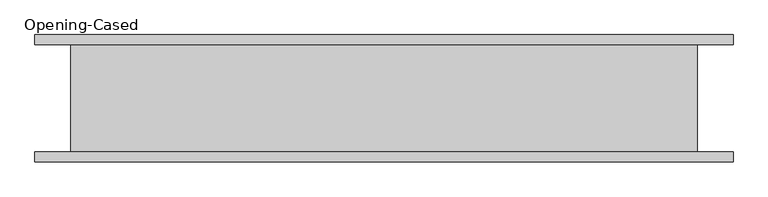
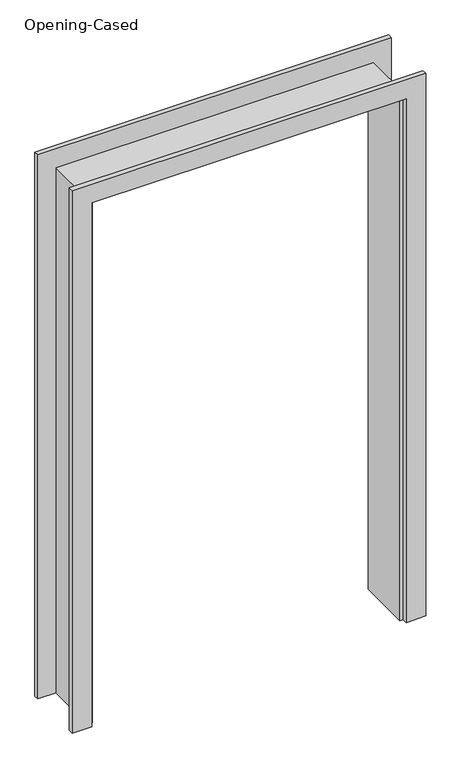
"""IFC4 building model written with IfcOpenShell, lengths in millimetres: proxy geometry, Opening-Cased."""

import ifcopenshell
import ifcopenshell.guid

model = None  # the IFC model being written
_history = None  # IfcOwnerHistory: only IFC2X3 demands one
_inside = {}  # id of a spatial element -> (the spatial element, [elements in it])
_under = {}  # id of a project, library or spatial element -> (it, [spatial elements below it])
_declared = {}  # id of a project -> (the project, [libraries it declares])
_typed = {}  # id of a type object -> (the type object, [elements of that type])
_made_of = {}  # id of a material, layer set ... -> (it, [elements and type objects made of it])


def new_model(schema):
    """Start an empty IFC model of exactly this schema.

    Asked for "IFC4X3", IfcOpenShell would pick the latest addendum, in which some entities
    have other attributes; the version numbers below select the first issue.
    IFC2X3 requires an IfcOwnerHistory on every rooted entity: one is made here for all.
    """
    global model, _history
    if schema == "IFC4X3":
        model = ifcopenshell.file(schema_version=(4, 3, 0, 0))
    else:
        model = ifcopenshell.file(schema=schema)
    _inside.clear()
    _under.clear()
    _declared.clear()
    _typed.clear()
    _made_of.clear()
    _history = None
    if model.schema == "IFC2X3":
        org = make("IfcOrganization", Name="unknown")
        user = make(
            "IfcPersonAndOrganization",
            ThePerson=make("IfcPerson", FamilyName="unknown"),
            TheOrganization=org,
        )
        app = make(
            "IfcApplication",
            ApplicationDeveloper=org,
            Version="unknown",
            ApplicationFullName="unknown",
            ApplicationIdentifier="unknown",
        )
        _history = make(
            "IfcOwnerHistory",
            OwningUser=user,
            OwningApplication=app,
            ChangeAction="ADDED",
            CreationDate=0,
        )
    return model


def make(cls, **values):
    """One entity of the class cls with the attributes given. An attribute that is None is left unset."""
    return model.create_entity(
        cls, **{name: value for name, value in values.items() if value is not None}
    )


def rooted(cls, **values):
    """An entity with a GlobalId (a new one), such as an element, a storey or a relation."""
    return make(cls, GlobalId=ifcopenshell.guid.new(), OwnerHistory=_history, **values)


def si_unit(unit_type, name, prefix=None):
    """IfcSIUnit, for example si_unit("LENGTHUNIT", "METRE", prefix="MILLI")."""
    return make("IfcSIUnit", UnitType=unit_type, Prefix=prefix, Name=name)


def assignment(units):
    """IfcUnitAssignment: the units of a project."""
    return None if units is None else make("IfcUnitAssignment", Units=units)


def point(xyz):
    """IfcCartesianPoint."""
    return None if xyz is None else make("IfcCartesianPoint", Coordinates=xyz)


def direction(xyz):
    """IfcDirection."""
    return None if xyz is None else make("IfcDirection", DirectionRatios=xyz)


def frame(location, z_axis=None, x_axis=None):
    """IfcAxis2Placement3D, a coordinate frame: its origin and axes. An axis left out is left unset."""
    return make(
        "IfcAxis2Placement3D",
        Location=point(location),
        Axis=direction(z_axis),
        RefDirection=direction(x_axis),
    )


def origin():
    """The frame at (0, 0, 0) with its axes left unset."""
    return frame((0.0, 0.0, 0.0))


def place(relative_to, where):
    """IfcLocalPlacement: puts the frame where relative to a parent placement (None: the world)."""
    return make(
        "IfcLocalPlacement", PlacementRelTo=relative_to, RelativePlacement=where
    )


def context(
    kind, dimensions, precision=None, world=None, true_north=None, identifier=None
):
    """IfcGeometricRepresentationContext, for example the 3D "Model" context."""
    return make(
        "IfcGeometricRepresentationContext",
        ContextIdentifier=identifier,
        ContextType=kind,
        CoordinateSpaceDimension=dimensions,
        Precision=precision,
        WorldCoordinateSystem=world,
        TrueNorth=true_north,
    )


def project(units=None, contexts=None):
    """IfcProject with its units and contexts."""
    return rooted(
        "IfcProject",
        Name="project",
        RepresentationContexts=contexts,
        UnitsInContext=assignment(units),
    )


def spatial(cls, under=None, at=None, **own):
    """A site, building, storey or space (cls), placed at a placement, below another one or the project."""
    s = rooted(cls, ObjectPlacement=at, **own)
    if under is not None:
        _under.setdefault(under.id(), (under, []))[1].append(s)
    return s


def polyline(points):
    """IfcPolyline through the points."""
    return make("IfcPolyline", Points=[point(p) for p in points])


def outline(outer, holes=None, kind="AREA"):
    """IfcArbitraryClosedProfileDef: a profile drawn as a closed curve; with holes, ...WithVoids."""
    if holes is None:
        return make("IfcArbitraryClosedProfileDef", ProfileType=kind, OuterCurve=outer)
    return make(
        "IfcArbitraryProfileDefWithVoids",
        ProfileType=kind,
        OuterCurve=outer,
        InnerCurves=holes,
    )


def extrude(swept, where, along, depth):
    """IfcExtrudedAreaSolid: the profile swept, set in the frame where, extruded along a direction by depth."""
    return make(
        "IfcExtrudedAreaSolid",
        SweptArea=swept,
        Position=where,
        ExtrudedDirection=direction(along),
        Depth=depth,
    )


def faces_of(points, faces, orient=None, outer=None):
    """IfcFace entities. A face is a list of loops; a loop is a list of indices into points, from 0.

    orient and outer hold one flag for each loop. By default every Orientation is true, the
    first loop of a face is its IfcFaceOuterBound and the others are IfcFaceBound.
    """
    made = []
    for i, loops in enumerate(faces):
        bounds = []
        for j, loop in enumerate(loops):
            is_outer = j == 0 if outer is None else outer[i][j]
            bounds.append(
                make(
                    "IfcFaceOuterBound" if is_outer else "IfcFaceBound",
                    Bound=make("IfcPolyLoop", Polygon=[points[k] for k in loop]),
                    Orientation=True if orient is None else orient[i][j],
                )
            )
        made.append(make("IfcFace", Bounds=bounds))
    return made


def faceted_brep(points, faces, orient=None, outer=None, voids=None):
    """IfcFacetedBrep: a solid bounded by flat faces; with voids (closed shells), ...WithVoids."""
    shared = [point(p) for p in points]
    hull = make("IfcClosedShell", CfsFaces=faces_of(shared, faces, orient, outer))
    if voids is None:
        return make("IfcFacetedBrep", Outer=hull)
    return make(
        "IfcFacetedBrepWithVoids",
        Outer=hull,
        Voids=[
            make(cls, CfsFaces=faces_of(shared, fs, o, b)) for cls, fs, o, b in voids
        ],
    )


def shape(context_of_items, identifier, shape_type, items):
    """IfcShapeRepresentation: the items that make up one representation, for example the "Body"."""
    return make(
        "IfcShapeRepresentation",
        ContextOfItems=context_of_items,
        RepresentationIdentifier=identifier,
        RepresentationType=shape_type,
        Items=items,
    )


def source(mapping_origin, context_of_items, identifier, shape_type, items):
    """IfcRepresentationMap: a shape defined once, which mapped items show again and again."""
    return make(
        "IfcRepresentationMap",
        MappingOrigin=mapping_origin,
        MappedRepresentation=shape(context_of_items, identifier, shape_type, items),
    )


def transform(
    local_origin,
    x_axis=None,
    y_axis=None,
    z_axis=None,
    scale=None,
    scale2=None,
    scale3=None,
    uniform=True,
):
    """IfcCartesianTransformationOperator3D, or its non-uniform kind. x_axis, y_axis, z_axis: its Axis1, 2, 3."""
    if uniform:
        return make(
            "IfcCartesianTransformationOperator3D",
            Axis1=direction(x_axis),
            Axis2=direction(y_axis),
            LocalOrigin=point(local_origin),
            Scale=scale,
            Axis3=direction(z_axis),
        )
    return make(
        "IfcCartesianTransformationOperator3DnonUniform",
        Axis1=direction(x_axis),
        Axis2=direction(y_axis),
        LocalOrigin=point(local_origin),
        Scale=scale,
        Axis3=direction(z_axis),
        Scale2=scale2,
        Scale3=scale3,
    )


def mapped(mapping_source, mapping_target):
    """IfcMappedItem: shows the shape of a source again, moved by a transform."""
    return make(
        "IfcMappedItem", MappingSource=mapping_source, MappingTarget=mapping_target
    )


def made_of(thing, what):
    """Note that an element or type object is made of a material, layer set ...; save() writes the relation."""
    if what is not None:
        _made_of.setdefault(what.id(), (what, []))[1].append(thing)
    return thing


def element(
    cls,
    number,
    at=None,
    inside=None,
    cuts=None,
    type_object=None,
    material=None,
    context=None,
    identifier="Body",
    shape_type=None,
    held_by="IfcProductDefinitionShape",
    body=None,
    shapes=None,
    **own,
):
    """One element of the class cls, such as IfcWall. Its Tag is "e" and its number.

    at: its placement. inside: the storey or other place that contains it. cuts: it is an
    opening in that element (IfcRelVoidsElement). A single representation is given by context,
    identifier, shape_type and body (its items); several are given by shapes. held_by: the class
    of the entity that holds the representations. save() writes the other relations.
    """
    e = rooted(cls, Tag="e%d" % number, ObjectPlacement=at, **own)
    if body is not None:
        shapes = [shape(context, identifier, shape_type, body)]
    if shapes is not None:
        e.Representation = make(held_by, Representations=shapes)
    if inside is not None:
        _inside.setdefault(inside.id(), (inside, []))[1].append(e)
    if cuts is not None:
        rooted(
            "IfcRelVoidsElement", RelatingBuildingElement=cuts, RelatedOpeningElement=e
        )
    if type_object is not None:
        _typed.setdefault(type_object.id(), (type_object, []))[1].append(e)
    return made_of(e, material)


def aggregate(whole, parts):
    """IfcRelAggregates: a whole, such as a stair, and the parts it consists of."""
    return rooted("IfcRelAggregates", RelatingObject=whole, RelatedObjects=parts)


def save(model, path):
    """Write the relations noted so far, then the file.

    IfcRelAggregates (storeys below a building ...), IfcRelContainedInSpatialStructure (elements
    in a storey), IfcRelDefinesByType, IfcRelAssociatesMaterial and IfcRelDeclares: one each for
    every whole, place, type object, material and project.
    """
    for whole, parts in _under.values():
        aggregate(whole, parts)
    for where, things in _inside.values():
        rooted(
            "IfcRelContainedInSpatialStructure",
            RelatedElements=things,
            RelatingStructure=where,
        )
    for kind, things in _typed.values():
        rooted("IfcRelDefinesByType", RelatedObjects=things, RelatingType=kind)
    for what, things in _made_of.values():
        rooted("IfcRelAssociatesMaterial", RelatedObjects=things, RelatingMaterial=what)
    for by, libraries in _declared.values():
        rooted("IfcRelDeclares", RelatingContext=by, RelatedDefinitions=libraries)
    model.write(path)


def opening_cased_034cfe47(model_context):
    return source(origin(), model_context, "Body", "SolidModel", [
        extrude(outline(polyline([(0.0, -611.4386567), (2127.25, -611.4386567), (2127.25, 595.0613433), (0.0, 595.0613433), (0.0, 671.2613433), (2203.45, 671.2613433), (2203.45, -687.6386567), (0.0, -687.6386567), (0.0, -611.4386567)])), frame((0.0, -123.825, 0.0), z_axis=(0.0, 1.0, 0.0), x_axis=(0.0, 0.0, 1.0)), (0.0, 0.0, 1.0), 19.05),
        extrude(outline(polyline([(0.0, 671.2613433), (2209.8, 671.2613433), (2209.8, -687.6386567), (0.0, -687.6386567), (0.0, -611.4386567), (2127.25, -611.4386567), (2127.25, 595.0613433), (0.0, 595.0613433), (0.0, 671.2613433)])), frame((0.0, 104.775, 0.0), z_axis=(0.0, 1.0, 0.0), x_axis=(0.0, 0.0, 1.0)), (0.0, 0.0, 1.0), 19.05),
        faceted_brep([(582.3613433, 104.775, 0.0), (601.4113433, 104.775, 0.0), (601.4113433, -104.775, 0.0), (582.3613433, -104.775, 0.0), (582.3613433, 104.775, 2114.55), (601.4113433, 104.775, 2133.6), (601.4113433, -104.775, 2133.6), (582.3613433, -104.775, 2114.55), (-598.7386567, 104.775, 2114.55), (-617.7886567, 104.775, 2133.6), (-617.7886567, -104.775, 2133.6), (-598.7386567, -104.775, 2114.55), (-598.7386567, 104.775, 0.0), (-598.7386567, -104.775, 0.0), (-617.7886567, -104.775, 0.0), (-617.7886567, 104.775, 0.0)], [[[0, 1, 2, 3]], [[1, 0, 4, 5]], [[2, 1, 5, 6]], [[3, 2, 6, 7]], [[0, 3, 7, 4]], [[5, 4, 8, 9]], [[6, 5, 9, 10]], [[7, 6, 10, 11]], [[4, 7, 11, 8]], [[12, 13, 14, 15]], [[9, 8, 12, 15]], [[10, 9, 15, 14]], [[11, 10, 14, 13]], [[8, 11, 13, 12]]]),
    ])


if __name__ == "__main__":
    model = new_model("IFC4")
    model_context = context("Model", 3, world=origin())
    ifc_project = project(units=[si_unit("LENGTHUNIT", "METRE", prefix="MILLI")], contexts=[model_context])
    site = spatial("IfcSite", under=ifc_project)
    building = spatial("IfcBuilding", under=site)
    placement = place(None, origin())
    opening_cased_shape = opening_cased_034cfe47(model_context)
    element("IfcBuildingElementProxy", 1, Name="Opening-Cased", ObjectType="Opening-Cased", at=placement, inside=building, context=model_context, shape_type="MappedRepresentation", body=[
        mapped(opening_cased_shape, transform((0.0, 0.0, 0.0), x_axis=(1.0, 0.0, 0.0), y_axis=(0.0, 1.0, 0.0), z_axis=(0.0, 0.0, 1.0))),
    ])
    save(model, "model.ifc")
